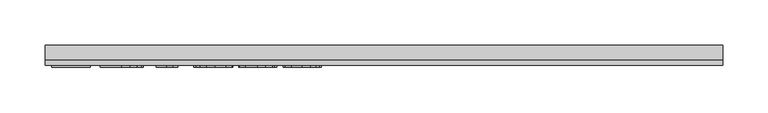
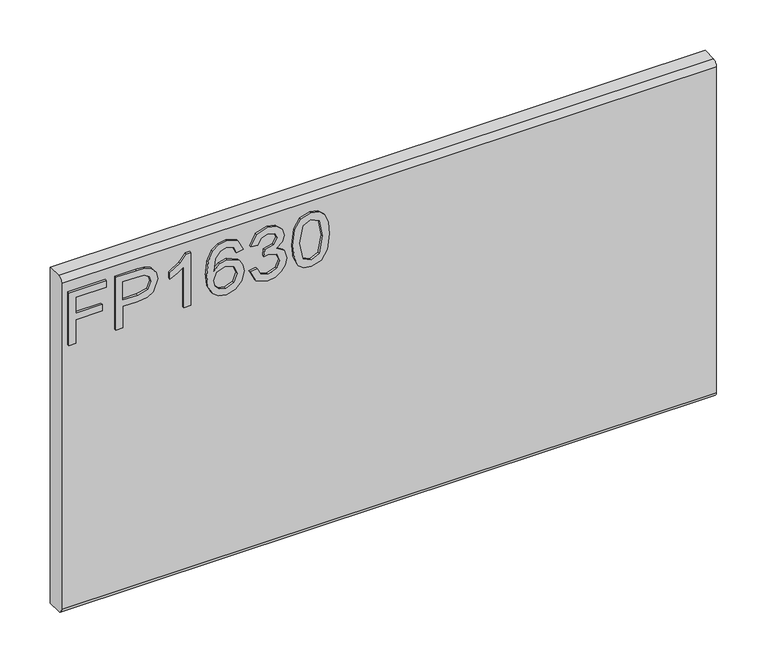
"""IFC4 building model written with IfcOpenShell, lengths in millimetres: furniture geometry."""

from ifc_helpers import new_model, si_unit, frame, origin, place, context, project, spatial, polyline, circle_curve, outline, extrude, source, transform, mapped, element, save
from ifc_brep_helpers import plane_surface, cylinder_surface, advanced_brep


def furniture_90fb09ee(model_context):
    return source(origin(), model_context, "Body", "SolidModel", [
        extrude(outline(polyline([(1085.85, -367.6729953), (1085.85, -359.6992757), (1114.7547336, -359.6992757), (1114.7547336, -329.7978271), (1122.7284532, -329.7978271), (1122.7284532, -359.6992757), (1141.6660373, -359.6992757), (1141.6660373, -324.8142524), (1149.6397569, -324.8142524), (1149.6397569, -367.6729953), (1085.85, -367.6729953)])), frame((0.0, -15.0812439, 0.0), z_axis=(0.0, 1.0, 0.0), x_axis=(0.0, 0.0, 1.0)), (0.0, 0.0, 1.0), 2.38125),
        extrude(outline(polyline([(1085.85, -313.8503879), (1085.85, -305.8766683), (1111.7645888, -305.8766683), (1111.7645888, -289.6644766), (1113.174006, -278.3365776), (1117.4022577, -271.1395948), (1131.1849567, -266.0080702), (1139.882852, -267.9080581), (1146.0500257, -272.930567), (1149.0323838, -280.6784684), (1149.6397569, -290.2095551), (1149.6397569, -313.8503879), (1085.85, -313.8503879)]), holes=[polyline([(1119.7383084, -305.8766683), (1141.6660373, -305.8766683), (1141.6660373, -289.3841506), (1141.1209588, -281.4104309), (1137.5078671, -276.0297276), (1130.9046306, -273.9817898), (1122.6661585, -277.4547185), (1119.7383084, -289.1972665), (1119.7383084, -305.8766683)])]), frame((0.0, -15.0812439, 0.0), z_axis=(0.0, 1.0, 0.0), x_axis=(0.0, 0.0, 1.0)), (0.0, 0.0, 1.0), 2.38125),
        extrude(outline(polyline([(1085.85, -228.132902), (1149.6397569, -228.132902), (1149.6397569, -233.2722135), (1141.1521062, -240.3660207), (1133.6923177, -252.0540609), (1126.1546609, -252.0540609), (1130.1804549, -243.6598521), (1135.5611582, -236.1066216), (1085.85, -236.1066216), (1085.85, -228.132902)])), frame((0.0, -15.0812439, 0.0), z_axis=(0.0, 1.0, 0.0), x_axis=(0.0, 0.0, 1.0)), (0.0, 0.0, 1.0), 2.38125),
        extrude(outline(polyline([(1132.6956028, -168.3300049), (1145.138966, -174.2168526), (1149.6397569, -186.8159525), (1147.8215308, -196.0706066), (1142.3668525, -203.2150282), (1131.5081103, -208.4477817), (1115.6268592, -210.1920329), (1101.5015395, -208.6210388), (1092.0171738, -203.9080566), (1086.6442572, -196.703287), (1084.853285, -187.6569308), (1087.555317, -177.2069974), (1095.3421526, -169.9652403), (1106.3449512, -167.3332899), (1114.5172351, -168.7310269), (1121.0309231, -172.9242379), (1126.715313, -186.4733317), (1124.6362279, -195.1868007), (1118.2743833, -202.2183133), (1132.4853582, -199.9523441), (1139.7349021, -194.509346), (1141.6660373, -187.31431), (1138.3488454, -179.3250167), (1131.6988878, -176.3037245), (1132.6956028, -168.3300049)]), holes=[polyline([(1106.4695406, -202.2183133), (1115.35432, -198.254814), (1118.7415934, -188.6069247), (1115.35432, -178.8344461), (1106.0801988, -175.3070095), (1096.3933754, -178.8811671), (1092.8270047, -188.2798776), (1094.5478953, -195.4671268), (1099.5626174, -200.3728332), (1106.4695406, -202.2183133)])]), frame((0.0, -15.0812439, 0.0), z_axis=(0.0, 1.0, 0.0), x_axis=(0.0, 0.0, 1.0)), (0.0, 0.0, 1.0), 2.38125),
        extrude(outline(polyline([(1102.7941542, -160.3562853), (1089.8524335, -154.0178011), (1084.853285, -140.0326444), (1086.3172101, -131.5099529), (1090.7089854, -124.5991364), (1097.2032063, -120.020477), (1104.9744681, -118.4942573), (1115.3465331, -121.5466968), (1120.797318, -130.2368053), (1126.0767925, -123.6958634), (1133.4275653, -121.4844021), (1141.4713664, -123.812666), (1147.4516562, -130.5404919), (1149.6397569, -140.1572338), (1145.2012607, -152.8342021), (1132.6956028, -159.3595703), (1131.6988878, -151.3858507), (1139.1742499, -147.4768592), (1141.6660373, -139.8769077), (1139.1976105, -132.3703982), (1132.9603552, -129.4581217), (1125.9210558, -133.4761289), (1123.7251682, -143.8014729), (1115.7514486, -144.6891721), (1116.6235742, -139.0982242), (1113.36089, -130.0343476), (1105.1146312, -126.4679769), (1096.362228, -130.0654949), (1092.8270047, -139.7523184), (1095.3966604, -147.9830036), (1103.7908691, -152.3825656), (1102.7941542, -160.3562853)])), frame((0.0, -15.0812439, 0.0), z_axis=(0.0, 1.0, 0.0), x_axis=(0.0, 0.0, 1.0)), (0.0, 0.0, 1.0), 2.38125),
        extrude(outline(polyline([(1117.2309473, -111.5172526), (1101.7156775, -109.9287381), (1090.9270168, -105.1631948), (1086.371718, -98.8714316), (1084.853285, -90.5862386), (1088.3495742, -78.9137721), (1098.9552443, -71.9757016), (1117.2309473, -69.6552246), (1132.2206058, -71.103576), (1141.6582505, -74.8412571), (1147.5840324, -81.2731833), (1149.6397569, -90.5862386), (1146.1668283, -102.2119841), (1135.5845188, -109.1734151), (1117.2309473, -111.5172526)]), holes=[polyline([(1117.246521, -103.543533), (1137.3988514, -99.6812625), (1141.6660373, -90.6796806), (1136.8226256, -81.2420359), (1117.246521, -77.6289442), (1097.4601718, -81.3666253), (1092.8270047, -90.5862386), (1097.4445982, -99.8058519), (1117.246521, -103.543533)])]), frame((0.0, -15.0812439, 0.0), z_axis=(0.0, 1.0, 0.0), x_axis=(0.0, 0.0, 1.0)), (0.0, 0.0, 1.0), 2.38125),
        advanced_brep(
        [(374.65, 9.5250061, 1168.4), (374.65, -6.7309939, 1168.4), (374.65, -12.6999939, 1162.431), (374.65, -12.6999939, 767.969), (374.65, -6.7309939, 762.0), (374.65, 9.5250061, 762.0), (-374.65, 9.5250061, 1168.4), (-374.65, 9.5250061, 762.0), (-374.65, -6.7309939, 762.0), (-374.65, -12.6999939, 767.969), (-374.65, -12.6999939, 1162.4310121), (-374.65, -6.7309939, 1168.4)],
        [
            (0, 1),
            (1, 2, circle_curve(frame((374.65, -6.7309939, 1162.431), z_axis=(1.0, 0.0, 0.0), x_axis=(0.0, 1.0, 0.0)), 5.969)),
            (2, 3),
            (3, 4, circle_curve(frame((374.65, -6.7309939, 767.969), z_axis=(1.0, 0.0, 0.0), x_axis=(0.0, 1.0, 0.0)), 5.969)),
            (4, 5),
            (5, 0),
            (6, 7),
            (7, 8),
            (8, 9, circle_curve(frame((-374.65, -6.7309939, 767.969), z_axis=(-1.0, 0.0, 0.0), x_axis=(0.0, 1.0, 0.0)), 5.969)),
            (9, 10),
            (10, 11, circle_curve(frame((-374.65, -6.7309939, 1162.431), z_axis=(-1.0, 0.0, 0.0), x_axis=(0.0, 1.0, 0.0)), 5.969)),
            (11, 6),
            (0, 6),
            (11, 1),
            (10, 2),
            (9, 3),
            (8, 4),
            (7, 5),
        ],
        [
            plane_surface(frame((374.65, -6.7309939, 1168.4), z_axis=(1.0, 0.0, 0.0), x_axis=(0.0, -1.0, 0.0))),
            plane_surface(frame((-374.65, -6.7309939, 1168.4), z_axis=(-1.0, 0.0, 0.0), x_axis=(0.0, 1.0, 0.0))),
            plane_surface(frame((374.65, 9.5250061, 1168.4), z_axis=(0.0, 0.0, 1.0), x_axis=(-1.0, 0.0, 0.0))),
            cylinder_surface(frame((-374.65, -6.7309939, 1162.431), z_axis=(1.0, 0.0, 0.0), x_axis=(0.0, 1.0, 0.0)), 5.969),
            plane_surface(frame((374.65, -12.6999939, 1162.4310121), z_axis=(0.0, -1.0, 0.0), x_axis=(-1.0, 0.0, 0.0))),
            cylinder_surface(frame((-374.65, -6.7309939, 767.969), z_axis=(1.0, 0.0, 0.0), x_axis=(0.0, 1.0, 0.0)), 5.969),
            plane_surface(frame((374.65, -6.7309939, 762.0), z_axis=(0.0, 0.0, -1.0), x_axis=(-1.0, 0.0, 0.0))),
            plane_surface(frame((374.65, 9.5250061, 762.0), z_axis=(0.0, 1.0, 0.0), x_axis=(-1.0, 0.0, 0.0))),
        ],
        [
            (0, [[1, 2, 3, 4, 5, 6]]),
            (1, [[7, 8, 9, 10, 11, 12]]),
            (2, [[-1, 13, -12, 14]]),
            (3, [[-2, -14, -11, 15]]),
            (4, [[-3, -15, -10, 16]]),
            (5, [[-4, -16, -9, 17]]),
            (6, [[-5, -17, -8, 18]]),
            (7, [[-6, -18, -7, -13]]),
        ],
    ),
    ])


if __name__ == "__main__":
    model = new_model("IFC4")
    model_context = context("Model", 3, world=origin())
    ifc_project = project(units=[si_unit("LENGTHUNIT", "METRE", prefix="MILLI")], contexts=[model_context])
    site = spatial("IfcSite", under=ifc_project)
    building = spatial("IfcBuilding", under=site)
    placement = place(None, origin())
    furniture_shape = furniture_90fb09ee(model_context)
    element("IfcFurniture", 1, at=placement, inside=building, context=model_context, shape_type="MappedRepresentation", body=[
        mapped(furniture_shape, transform((0.0, 0.0, 0.0), x_axis=(1.0, 0.0, 0.0), y_axis=(0.0, 1.0, 0.0), z_axis=(0.0, 0.0, 1.0))),
    ])
    save(model, "model.ifc")
